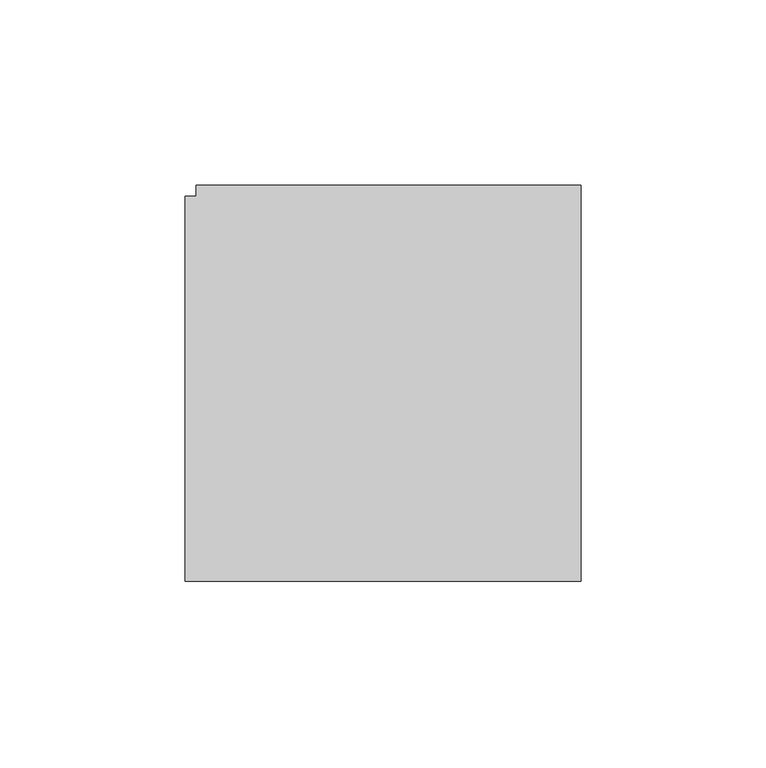
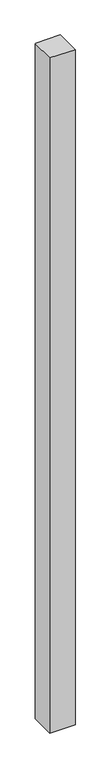
"""IFC4 building model written with IfcOpenShell, lengths in millimetres: member geometry."""

from ifc_helpers import new_model, si_unit, frame, origin, place, context, project, spatial, polyline, outline, extrude, source, transform, mapped, element, save


def member_d2cc55e6(model_context):
    return source(origin(), model_context, "Body", "SweptSolid", [
        extrude(outline(polyline([(52.0, 55.0), (52.0, -52.0), (-55.0, -52.0), (-55.0, 52.0), (-52.0, 52.0), (-52.0, 55.0), (52.0, 55.0)])), frame((0.0, 0.0, -3000.0), z_axis=(0.0, 0.0, 1.0), x_axis=(1.0, 0.0, 0.0)), (0.0, 0.0, 1.0), 3000.0),
    ])


if __name__ == "__main__":
    model = new_model("IFC4")
    model_context = context("Model", 3, world=origin())
    ifc_project = project(units=[si_unit("LENGTHUNIT", "METRE", prefix="MILLI")], contexts=[model_context])
    site = spatial("IfcSite", under=ifc_project)
    building = spatial("IfcBuilding", under=site)
    placement = place(None, origin())
    member_shape = member_d2cc55e6(model_context)
    element("IfcMember", 1, at=placement, inside=building, context=model_context, shape_type="MappedRepresentation", body=[
        mapped(member_shape, transform((0.0, 0.0, 0.0), x_axis=(1.0, 0.0, 0.0), y_axis=(0.0, 1.0, 0.0), z_axis=(0.0, 0.0, 1.0))),
    ])
    save(model, "model.ifc")
